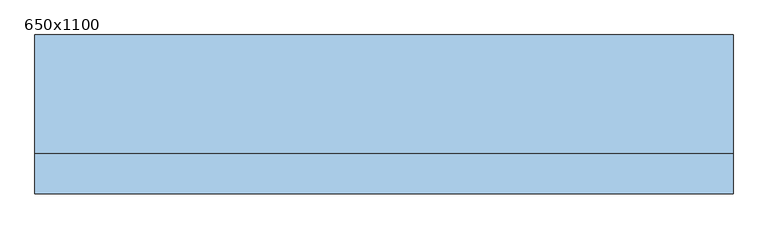
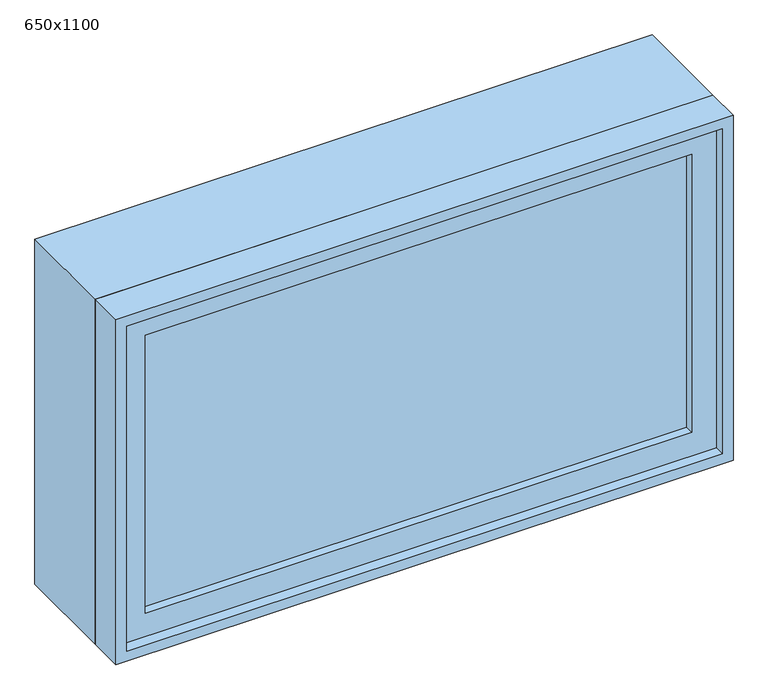
"""IFC4 building model written with IfcOpenShell, lengths in millimetres: window geometry, 650x1100."""

from ifc_helpers import new_model, si_unit, frame, origin, place, context, project, spatial, polyline, outline, extrude, source, transform, mapped, element, save


def window_650x1100_c7212884(model_context):
    return source(origin(), model_context, "Body", "SweptSolid", [
        extrude(outline(polyline([(-487.0, -103.0), (-487.0, -91.0), (487.0, -91.0), (487.0, -103.0), (-487.0, -103.0)])), frame((0.0, 0.0, 978.0), z_axis=(0.0, 0.0, 1.0), x_axis=(1.0, 0.0, 0.0)), (0.0, 0.0, 1.0), 524.0),
        extrude(outline(polyline([(1546.0, -531.0), (934.0, -531.0), (934.0, 531.0), (1546.0, 531.0), (1546.0, -531.0)]), holes=[polyline([(1502.0, -487.0), (1502.0, 487.0), (978.0, 487.0), (978.0, -487.0), (1502.0, -487.0)])]), frame((0.0, -119.0, 0.0), z_axis=(0.0, 1.0, 0.0), x_axis=(0.0, 0.0, 1.0)), (0.0, 0.0, 1.0), 44.0),
        extrude(outline(polyline([(1565.0, -550.0), (915.0, -550.0), (915.0, 550.0), (1565.0, 550.0), (1565.0, -550.0)]), holes=[polyline([(1546.0, -531.0), (1546.0, 531.0), (934.0, 531.0), (934.0, -531.0), (1546.0, -531.0)])]), frame((0.0, -138.0, 0.0), z_axis=(0.0, 1.0, 0.0), x_axis=(0.0, 0.0, 1.0)), (0.0, 0.0, 1.0), 63.0),
        extrude(outline(polyline([(1565.0, -550.0), (915.0, -550.0), (915.0, 550.0), (1565.0, 550.0), (1565.0, -550.0)]), holes=[polyline([(1533.0, -518.0), (1533.0, 518.0), (947.0, 518.0), (947.0, -518.0), (1533.0, -518.0)])]), frame((0.0, -75.0, 0.0), z_axis=(0.0, 1.0, 0.0), x_axis=(0.0, 0.0, 1.0)), (0.0, 0.0, 1.0), 187.0),
    ])


if __name__ == "__main__":
    model = new_model("IFC4")
    model_context = context("Model", 3, world=origin())
    ifc_project = project(units=[si_unit("LENGTHUNIT", "METRE", prefix="MILLI")], contexts=[model_context])
    site = spatial("IfcSite", under=ifc_project)
    building = spatial("IfcBuilding", under=site)
    placement = place(None, origin())
    window_650x1100_shape = window_650x1100_c7212884(model_context)
    element("IfcWindow", 1, ObjectType="650x1100", at=placement, inside=building, context=model_context, shape_type="MappedRepresentation", body=[
        mapped(window_650x1100_shape, transform((0.0, 0.0, 0.0), x_axis=(1.0, 0.0, 0.0), y_axis=(0.0, 1.0, 0.0), z_axis=(0.0, 0.0, 1.0))),
    ])
    save(model, "model.ifc")
